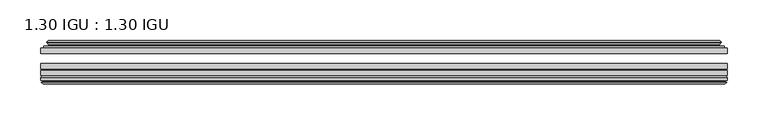
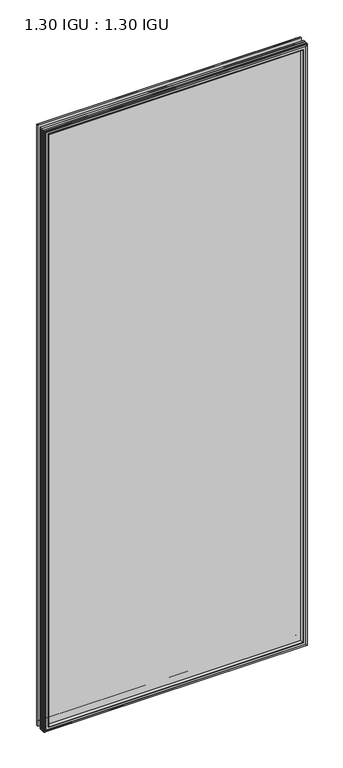
"""IFC4 building model written with IfcOpenShell, lengths in millimetres: plate geometry, 1.30 IGU : 1.30 IGU."""

from ifc_helpers import new_model, si_unit, frame, origin, place, context, project, spatial, polyline, ellipse_curve, outline, extrude, faceted_brep, source, transform, mapped, element, save
from ifc_brep_helpers import plane_surface, cylinder_surface, revolved_surface, advanced_brep


def plate_1_30_igu_1_30_igu_fb8925f5(model_context):
    return source(origin(), model_context, "Body", "SolidModel", [
        extrude(outline(polyline([(420.6205532, -44.92625), (420.6205532, -51.27625), (-420.6875, -51.27625), (-420.6875, -44.92625), (420.6205532, -44.92625)])), frame((0.0, 0.0, -14.2875), z_axis=(0.0, 0.0, 1.0), x_axis=(1.0, 0.0, 0.0)), (0.0, 0.0, 1.0), 2025.65),
        extrude(outline(polyline([(-420.6875, -78.58125), (-420.6875, -72.23125), (420.6205532, -72.23125), (420.6205532, -78.58125), (-420.6875, -78.58125)])), frame((0.0, 0.0, -14.2875), z_axis=(0.0, 0.0, 1.0), x_axis=(1.0, 0.0, 0.0)), (0.0, 0.0, 1.0), 2025.65),
        extrude(outline(polyline([(-420.6875, -70.32625), (-420.6875, -63.97625), (420.6205532, -63.97625), (420.6205532, -70.32625), (-420.6875, -70.32625)])), frame((0.0, 0.0, -14.2875), z_axis=(0.0, 0.0, 1.0), x_axis=(1.0, 0.0, 0.0)), (0.0, 0.0, 1.0), 2025.65),
        advanced_brep(
        [(-402.3522902, -43.8351483, 1993.0272902), (-402.7941004, -44.92625, 1993.4691004), (-402.7941004, -44.92625, 3.6058996), (-402.3522902, -43.8351483, 4.0477098), (-406.4, -36.11245, 1997.075), (-406.4, -36.11245, 0.0), (-411.5859109, -37.2935491, 2002.2609109), (-411.5859109, -37.2935491, -5.1859109), (-411.2563356, -36.4664324, 2001.9313356), (-411.2563356, -36.4664324, -4.8563356), (-411.2563356, -35.6521812, 2001.9313356), (-411.2563356, -35.6521812, -4.8563356), (-413.0726111, -37.610817, 2003.7476111), (-413.0726111, -37.610817, -6.6726111), (-413.0726111, -38.3239429, 2003.7476111), (-413.0726111, -38.3239429, -6.6726111), (-411.2563356, -40.2727974, 2001.9313356), (-411.2563356, -40.2727974, -4.8563356), (-411.2563356, -39.4683275, 2001.9313356), (-411.2563356, -39.4683275, -4.8563356), (-411.5782501, -38.6604367, 2002.2532501), (-411.5782501, -38.6604367, -5.1782501), (-409.0544379, -38.502045, 1999.7294379), (-409.0544379, -38.502045, -2.6544379), (-408.0286217, -39.1897544, 1998.7036217), (-408.0286217, -39.1897544, -1.6286217), (-408.1470288, -40.5842231, 1998.8220288), (-408.1470288, -40.5842231, -1.7470288), (-408.7487748, -42.08145, 1999.4237748), (-408.7487748, -42.08145, -2.3487748), (-416.6745553, -43.9898729, 2007.3495553), (-416.1889245, -42.08145, 2006.8639245), (-416.1889245, -42.08145, -9.7889245), (-416.6745553, -43.9898729, -10.2745553), (-414.9538155, -44.92625, 2005.6288155), (-414.9538155, -44.92625, -8.5538155), (402.7941004, -44.92625, 3.6058996), (402.3522902, -43.8351483, 4.0477098), (406.4, -36.11245, 0.0), (411.5859109, -37.2935491, -5.1859109), (411.2563356, -36.4664324, -4.8563356), (411.2563356, -35.6521812, -4.8563356), (413.0726111, -37.610817, -6.6726111), (413.0726111, -38.3239429, -6.6726111), (411.2563356, -40.2727974, -4.8563356), (411.2563356, -39.4683275, -4.8563356), (411.5782501, -38.6604367, -5.1782501), (409.0544379, -38.502045, -2.6544379), (408.0286217, -39.1897544, -1.6286217), (408.1470288, -40.5842231, -1.7470288), (408.7487748, -42.08145, -2.3487748), (416.1889245, -42.08145, -9.7889245), (416.6745553, -43.9898729, -10.2745553), (414.9538155, -44.92625, -8.5538155), (402.7941004, -44.92625, 1993.4691004), (402.3522902, -43.8351483, 1993.0272902), (406.4, -36.11245, 1997.075), (411.5859109, -37.2935491, 2002.2609109), (411.2563356, -36.4664324, 2001.9313356), (411.2563356, -35.6521812, 2001.9313356), (413.0726111, -37.610817, 2003.7476111), (413.0726111, -38.3239429, 2003.7476111), (411.2563356, -40.2727974, 2001.9313356), (411.2563356, -39.4683275, 2001.9313356), (411.5782501, -38.6604367, 2002.2532501), (409.0544379, -38.502045, 1999.7294379), (408.0286217, -39.1897544, 1998.7036217), (408.1470288, -40.5842231, 1998.8220288), (408.7487748, -42.08145, 1999.4237748), (416.1889245, -42.08145, 2006.8639245), (416.6745553, -43.9898729, 2007.3495553), (414.9538155, -44.92625, 2005.6288155)],
        [
            (0, 1, ellipse_curve(frame((-402.7941004, -44.29125, 1993.4691004), z_axis=(-0.7071067811865475, 0.0, -0.7071067811865475), x_axis=(-0.7071067811865474, 0.0, 0.7071067811865476)), 0.8980256, 0.635)),
            (1, 2),
            (2, 3, ellipse_curve(frame((-402.7941004, -44.29125, 3.6058996), z_axis=(-0.7071067811865475, 0.0, 0.7071067811865475), x_axis=(0.7071067811865474, 0.0, 0.7071067811865476)), 0.8980256, 0.635)),
            (3, 0),
            (4, 0, ellipse_curve(frame((-392.6672054, -33.8367745, 1983.3422054), z_axis=(0.7071067811865475, 0.0, 0.7071067811865475), x_axis=(0.7071067811865474, 0.0, -0.7071067811865476)), 19.6859517, 13.9200699)),
            (3, 5, ellipse_curve(frame((-392.6672054, -33.8367745, 13.7327946), z_axis=(0.7071067811865475, 0.0, -0.7071067811865475), x_axis=(-0.7071067811865474, 0.0, -0.7071067811865476)), 19.6859517, 13.9200699)),
            (5, 4),
            (6, 4),
            (5, 7),
            (7, 6),
            (8, 6),
            (7, 9),
            (9, 8),
            (10, 8),
            (9, 11),
            (11, 10),
            (12, 10),
            (11, 13),
            (13, 12),
            (14, 12, ellipse_curve(frame((-412.7107729, -37.96738, 2003.3857729), z_axis=(-0.7071067811865475, 0.0, -0.7071067811865475), x_axis=(-0.7071067811865474, 0.0, 0.7071067811865476)), 0.7184205, 0.508)),
            (13, 15, ellipse_curve(frame((-412.7107729, -37.96738, -6.3107729), z_axis=(-0.7071067811865475, 0.0, 0.7071067811865475), x_axis=(0.7071067811865474, 0.0, 0.7071067811865476)), 0.7184205, 0.508)),
            (15, 14),
            (16, 14),
            (15, 17),
            (17, 16),
            (18, 16),
            (17, 19),
            (19, 18),
            (20, 18),
            (19, 21),
            (21, 20),
            (22, 20),
            (21, 23),
            (23, 22),
            (24, 22, ellipse_curve(frame((-408.9908, -39.51605, 1999.6658), z_axis=(0.7071067811865475, 0.0, 0.7071067811865475), x_axis=(0.7071067811865474, 0.0, -0.7071067811865476)), 1.436841, 1.016)),
            (23, 25, ellipse_curve(frame((-408.9908, -39.51605, -2.5908), z_axis=(0.7071067811865475, 0.0, -0.7071067811865475), x_axis=(-0.7071067811865474, 0.0, -0.7071067811865476)), 1.436841, 1.016)),
            (25, 24),
            (26, 24, ellipse_curve(frame((-410.3624, -39.69385, 2001.0374), z_axis=(0.7071067811865475, 0.0, 0.7071067811865475), x_axis=(0.7071067811865474, 0.0, -0.7071067811865476)), 3.3765763, 2.3876)),
            (25, 27, ellipse_curve(frame((-410.3624, -39.69385, -3.9624), z_axis=(0.7071067811865475, 0.0, -0.7071067811865475), x_axis=(-0.7071067811865474, 0.0, -0.7071067811865476)), 3.3765763, 2.3876)),
            (27, 26),
            (28, 26),
            (27, 29),
            (29, 28),
            (30, 31, ellipse_curve(frame((-416.1889245, -43.09745, 2006.8639245), z_axis=(-0.7071067811865475, 0.0, -0.7071067811865475), x_axis=(-0.7071067811865474, 0.0, 0.7071067811865476)), 1.436841, 1.016)),
            (31, 32),
            (32, 33, ellipse_curve(frame((-416.1889245, -43.09745, -9.7889245), z_axis=(-0.7071067811865475, 0.0, 0.7071067811865475), x_axis=(0.7071067811865474, 0.0, 0.7071067811865476)), 1.436841, 1.016)),
            (33, 30),
            (34, 30),
            (33, 35),
            (35, 34),
            (2, 36),
            (36, 37, ellipse_curve(frame((402.7941004, -44.29125, 3.6058996), z_axis=(-0.7071067811865475, 0.0, -0.7071067811865475), x_axis=(-0.7071067811865476, 0.0, 0.7071067811865474)), 0.8980256, 0.635)),
            (37, 3),
            (37, 38, ellipse_curve(frame((392.6672054, -33.8367745, 13.7327946), z_axis=(0.7071067811865475, 0.0, 0.7071067811865475), x_axis=(0.7071067811865476, 0.0, -0.7071067811865474)), 19.6859517, 13.9200699)),
            (38, 5),
            (38, 39),
            (39, 7),
            (39, 40),
            (40, 9),
            (40, 41),
            (41, 11),
            (41, 42),
            (42, 13),
            (42, 43, ellipse_curve(frame((412.7107729, -37.96738, -6.3107729), z_axis=(-0.7071067811865475, 0.0, -0.7071067811865475), x_axis=(-0.7071067811865476, 0.0, 0.7071067811865474)), 0.7184205, 0.508)),
            (43, 15),
            (43, 44),
            (44, 17),
            (44, 45),
            (45, 19),
            (45, 46),
            (46, 21),
            (46, 47),
            (47, 23),
            (47, 48, ellipse_curve(frame((408.9908, -39.51605, -2.5908), z_axis=(0.7071067811865475, 0.0, 0.7071067811865475), x_axis=(0.7071067811865476, 0.0, -0.7071067811865474)), 1.436841, 1.016)),
            (48, 25),
            (48, 49, ellipse_curve(frame((410.3624, -39.69385, -3.9624), z_axis=(0.7071067811865475, 0.0, 0.7071067811865475), x_axis=(0.7071067811865476, 0.0, -0.7071067811865474)), 3.3765763, 2.3876)),
            (49, 27),
            (49, 50),
            (50, 29),
            (32, 51),
            (51, 52, ellipse_curve(frame((416.1889245, -43.09745, -9.7889245), z_axis=(-0.7071067811865475, 0.0, -0.7071067811865475), x_axis=(-0.7071067811865476, 0.0, 0.7071067811865474)), 1.436841, 1.016)),
            (52, 33),
            (52, 53),
            (53, 35),
            (36, 54),
            (54, 55, ellipse_curve(frame((402.7941004, -44.29125, 1993.4691004), z_axis=(0.7071067811865475, 0.0, -0.7071067811865475), x_axis=(-0.7071067811865474, 0.0, -0.7071067811865476)), 0.8980256, 0.635)),
            (55, 37),
            (55, 56, ellipse_curve(frame((392.6672054, -33.8367745, 1983.3422054), z_axis=(-0.7071067811865475, 0.0, 0.7071067811865475), x_axis=(0.7071067811865474, 0.0, 0.7071067811865476)), 19.6859517, 13.9200699)),
            (56, 38),
            (56, 57),
            (57, 39),
            (57, 58),
            (58, 40),
            (58, 59),
            (59, 41),
            (59, 60),
            (60, 42),
            (60, 61, ellipse_curve(frame((412.7107729, -37.96738, 2003.3857729), z_axis=(0.7071067811865475, 0.0, -0.7071067811865475), x_axis=(-0.7071067811865474, 0.0, -0.7071067811865476)), 0.7184205, 0.508)),
            (61, 43),
            (61, 62),
            (62, 44),
            (62, 63),
            (63, 45),
            (63, 64),
            (64, 46),
            (64, 65),
            (65, 47),
            (65, 66, ellipse_curve(frame((408.9908, -39.51605, 1999.6658), z_axis=(-0.7071067811865475, 0.0, 0.7071067811865475), x_axis=(0.7071067811865474, 0.0, 0.7071067811865476)), 1.436841, 1.016)),
            (66, 48),
            (66, 67, ellipse_curve(frame((410.3624, -39.69385, 2001.0374), z_axis=(-0.7071067811865475, 0.0, 0.7071067811865475), x_axis=(0.7071067811865474, 0.0, 0.7071067811865476)), 3.3765763, 2.3876)),
            (67, 49),
            (67, 68),
            (68, 50),
            (51, 69),
            (69, 70, ellipse_curve(frame((416.1889245, -43.09745, 2006.8639245), z_axis=(0.7071067811865475, 0.0, -0.7071067811865475), x_axis=(-0.7071067811865474, 0.0, -0.7071067811865476)), 1.436841, 1.016)),
            (70, 52),
            (70, 71),
            (71, 53),
            (54, 1),
            (0, 55),
            (4, 56),
            (6, 57),
            (8, 58),
            (10, 59),
            (12, 60),
            (14, 61),
            (16, 62),
            (18, 63),
            (20, 64),
            (22, 65),
            (24, 66),
            (26, 67),
            (28, 68),
            (31, 69),
            (30, 70),
            (34, 71),
        ],
        [
            cylinder_surface(frame((-402.7941004, -44.29125, 2028.825), z_axis=(0.0, 0.0, 1.0), x_axis=(-1.0, 0.0, 0.0)), 0.635),
            revolved_surface(polyline([(-406.5872753, -33.8367745, -0.18727534118079348), (-406.5872753, -33.8367745, 1997.2622753411808)]), (-392.6672054, -33.8367745, 2028.825), (0.0, 0.0, -1.0)),
            plane_surface(frame((-406.4, -36.11245, 1997.075), z_axis=(-0.22206498442778658, 0.975031867525922, 0.0), x_axis=(0.0, 0.0, -1.0))),
            plane_surface(frame((-411.5859109, -37.2935491, 2002.2609109), z_axis=(0.9289682685629922, -0.3701593656833182, 0.0), x_axis=(0.0, 0.0, -1.0))),
            plane_surface(frame((-411.2563356, -36.4664324, 2001.9313356), z_axis=(1.0, 0.0, 0.0), x_axis=(0.0, 0.0, -1.0))),
            plane_surface(frame((-411.2563356, -35.6521812, 2001.9313356), z_axis=(-0.7332521292723956, 0.6799568478348447, 0.0), x_axis=(0.0, 0.0, -1.0))),
            cylinder_surface(frame((-412.7107729, -37.96738, 2028.825), z_axis=(0.0, 0.0, 1.0), x_axis=(-1.0, 0.0, 0.0)), 0.508),
            plane_surface(frame((-413.0726111, -38.3239429, 2003.7476111), z_axis=(-0.7315522693036389, -0.6817853601220082, 0.0), x_axis=(0.0, 0.0, -1.0))),
            plane_surface(frame((-411.2563356, -40.2727974, 2001.9313356), z_axis=(1.0, 0.0, 0.0), x_axis=(0.0, 0.0, -1.0))),
            plane_surface(frame((-411.2563356, -39.4683275, 2001.9313356), z_axis=(0.9289682685631103, 0.37015936568302166, 0.0), x_axis=(0.0, 0.0, -1.0))),
            plane_surface(frame((-411.5782501, -38.6604367, 2002.2532501), z_axis=(0.06263570119321644, -0.9980364567169048, 0.0), x_axis=(0.0, 0.0, -1.0))),
            revolved_surface(polyline([(-410.0068, -39.51605, -3.6068000145867245), (-410.0068, -39.51605, 2000.6818000145868)]), (-408.9908, -39.51605, 2028.825), (0.0, 0.0, -1.0)),
            revolved_surface(polyline([(-412.75, -39.69385, -6.3499999989237494), (-412.75, -39.69385, 2003.4249999989238)]), (-410.3624, -39.69385, 2028.825), (0.0, 0.0, -1.0)),
            plane_surface(frame((-408.1470288, -40.5842231, 1998.8220288), z_axis=(-0.9278652925428912, 0.372915538553028, 0.0), x_axis=(0.0, 0.0, -1.0))),
            cylinder_surface(frame((-416.1889245, -43.09745, 2028.825), z_axis=(0.0, 0.0, 1.0), x_axis=(-1.0, 0.0, 0.0)), 1.016),
            plane_surface(frame((-416.6745553, -43.9898729, 2007.3495553), z_axis=(-0.477983117370979, -0.8783690223979447, 0.0), x_axis=(0.0, 0.0, -1.0))),
            cylinder_surface(frame((-438.15, -44.29125, 3.6058996), z_axis=(-1.0, 0.0, 0.0), x_axis=(0.0, 0.0, -1.0)), 0.635),
            revolved_surface(polyline([(406.58727534118077, -33.8367745, -0.1872752999999996), (-406.5872753411808, -33.8367745, -0.1872752999999996)]), (-438.15, -33.8367745, 13.7327946), (1.0, 0.0, 0.0)),
            plane_surface(frame((-406.4, -36.11245, 0.0), z_axis=(0.0, 0.9750318675259213, -0.22206498442778974), x_axis=(1.0, 0.0, 0.0))),
            plane_surface(frame((-411.5859109, -37.2935491, -5.1859109), z_axis=(0.0, -0.3701593656833152, 0.9289682685629934), x_axis=(1.0, 0.0, 0.0))),
            plane_surface(frame((-411.2563356, -36.4664324, -4.8563356), z_axis=(0.0, 0.0, 1.0), x_axis=(1.0, 0.0, 0.0))),
            plane_surface(frame((-411.2563356, -35.6521812, -4.8563356), z_axis=(0.0, 0.6799568478348423, -0.7332521292723978), x_axis=(1.0, 0.0, 0.0))),
            cylinder_surface(frame((-438.15, -37.96738, -6.3107729), z_axis=(-1.0, 0.0, 0.0), x_axis=(0.0, 0.0, -1.0)), 0.508),
            plane_surface(frame((-413.0726111, -38.3239429, -6.6726111), z_axis=(0.0, -0.6817853601220105, -0.7315522693036367), x_axis=(1.0, 0.0, 0.0))),
            plane_surface(frame((-411.2563356, -40.2727974, -4.8563356), z_axis=(0.0, 0.0, 1.0), x_axis=(1.0, 0.0, 0.0))),
            plane_surface(frame((-411.2563356, -39.4683275, -4.8563356), z_axis=(0.0, 0.37015936568302465, 0.9289682685631091), x_axis=(1.0, 0.0, 0.0))),
            plane_surface(frame((-411.5782501, -38.6604367, -5.1782501), z_axis=(0.0, -0.9980364567169046, 0.06263570119321968), x_axis=(1.0, 0.0, 0.0))),
            revolved_surface(polyline([(410.0068000145868, -39.51605, -3.6068000000000002), (-410.0068000145868, -39.51605, -3.6068000000000002)]), (-438.15, -39.51605, -2.5908), (1.0, 0.0, 0.0)),
            revolved_surface(polyline([(412.7499999989237, -39.69385, -6.35), (-412.7499999989238, -39.69385, -6.35)]), (-438.15, -39.69385, -3.9624), (1.0, 0.0, 0.0)),
            plane_surface(frame((-408.1470288, -40.5842231, -1.7470288), z_axis=(0.0, 0.372915538553025, -0.9278652925428924), x_axis=(1.0, 0.0, 0.0))),
            cylinder_surface(frame((-438.15, -43.09745, -9.7889245), z_axis=(-1.0, 0.0, 0.0), x_axis=(0.0, 0.0, -1.0)), 1.016),
            plane_surface(frame((-416.6745553, -43.9898729, -10.2745553), z_axis=(0.0, -0.8783690223979462, -0.47798311737097615), x_axis=(1.0, 0.0, 0.0))),
            cylinder_surface(frame((402.7941004, -44.29125, -31.75), z_axis=(0.0, 0.0, -1.0), x_axis=(1.0, 0.0, 0.0)), 0.635),
            revolved_surface(polyline([(406.5872753, -33.8367745, 1997.2622753411808), (406.5872753, -33.8367745, -0.1872753411808432)]), (392.6672054, -33.8367745, -31.75), (0.0, 0.0, 1.0)),
            plane_surface(frame((406.4, -36.11245, 0.0), z_axis=(0.22206498442779288, 0.9750318675259205, 0.0), x_axis=(0.0, 0.0, 1.0))),
            plane_surface(frame((411.5859109, -37.2935491, -5.1859109), z_axis=(-0.9289682685629946, -0.3701593656833122, 0.0), x_axis=(0.0, 0.0, 1.0))),
            plane_surface(frame((411.2563356, -36.4664324, -4.8563356), z_axis=(-1.0, 0.0, 0.0), x_axis=(0.0, 0.0, 1.0))),
            plane_surface(frame((411.2563356, -35.6521812, -4.8563356), z_axis=(0.7332521292724, 0.67995684783484, 0.0), x_axis=(0.0, 0.0, 1.0))),
            cylinder_surface(frame((412.7107729, -37.96738, -31.75), z_axis=(0.0, 0.0, -1.0), x_axis=(1.0, 0.0, 0.0)), 0.508),
            plane_surface(frame((413.0726111, -38.3239429, -6.6726111), z_axis=(0.7315522693036345, -0.6817853601220129, 0.0), x_axis=(0.0, 0.0, 1.0))),
            plane_surface(frame((411.2563356, -40.2727974, -4.8563356), z_axis=(-1.0, 0.0, 0.0), x_axis=(0.0, 0.0, 1.0))),
            plane_surface(frame((411.2563356, -39.4683275, -4.8563356), z_axis=(-0.928968268563108, 0.3701593656830277, 0.0), x_axis=(0.0, 0.0, 1.0))),
            plane_surface(frame((411.5782501, -38.6604367, -5.1782501), z_axis=(-0.06263570119322291, -0.9980364567169043, 0.0), x_axis=(0.0, 0.0, 1.0))),
            revolved_surface(polyline([(410.0068, -39.51605, 2000.6818000145868), (410.0068, -39.51605, -3.606800014586863)]), (408.9908, -39.51605, -31.75), (0.0, 0.0, 1.0)),
            revolved_surface(polyline([(412.75, -39.69385, 2003.4249999989238), (412.75, -39.69385, -6.349999998923781)]), (410.3624, -39.69385, -31.75), (0.0, 0.0, 1.0)),
            plane_surface(frame((408.1470288, -40.5842231, -1.7470288), z_axis=(0.9278652925428936, 0.372915538553022, 0.0), x_axis=(0.0, 0.0, 1.0))),
            cylinder_surface(frame((416.1889245, -43.09745, -31.75), z_axis=(0.0, 0.0, -1.0), x_axis=(1.0, 0.0, 0.0)), 1.016),
            plane_surface(frame((416.6745553, -43.9898729, -10.2745553), z_axis=(0.4779831173709733, -0.8783690223979478, 0.0), x_axis=(0.0, 0.0, 1.0))),
            cylinder_surface(frame((438.15, -44.29125, 1993.4691004), z_axis=(1.0, 0.0, 0.0), x_axis=(0.0, 0.0, 1.0)), 0.635),
            revolved_surface(polyline([(-406.58727534118077, -33.8367745, 1997.2622753), (406.5872753411808, -33.8367745, 1997.2622753)]), (438.15, -33.8367745, 1983.3422054), (-1.0, 0.0, 0.0)),
            plane_surface(frame((406.4, -36.11245, 1997.075), z_axis=(0.0, 0.9750318675259212, 0.2220649844277897), x_axis=(-1.0, 0.0, 0.0))),
            plane_surface(frame((411.5859109, -37.2935491, 2002.2609109), z_axis=(0.0, -0.3701593656833152, -0.9289682685629934), x_axis=(-1.0, 0.0, 0.0))),
            plane_surface(frame((411.2563356, -36.4664324, 2001.9313356), z_axis=(0.0, 0.0, -1.0), x_axis=(-1.0, 0.0, 0.0))),
            plane_surface(frame((411.2563356, -35.6521812, 2001.9313356), z_axis=(0.0, 0.6799568478348423, 0.7332521292723978), x_axis=(-1.0, 0.0, 0.0))),
            cylinder_surface(frame((438.15, -37.96738, 2003.3857729), z_axis=(1.0, 0.0, 0.0), x_axis=(0.0, 0.0, 1.0)), 0.508),
            plane_surface(frame((413.0726111, -38.3239429, 2003.7476111), z_axis=(0.0, -0.6817853601220105, 0.7315522693036367), x_axis=(-1.0, 0.0, 0.0))),
            plane_surface(frame((411.2563356, -40.2727974, 2001.9313356), z_axis=(0.0, 0.0, -1.0), x_axis=(-1.0, 0.0, 0.0))),
            plane_surface(frame((411.2563356, -39.4683275, 2001.9313356), z_axis=(0.0, 0.3701593656830247, -0.9289682685631092), x_axis=(-1.0, 0.0, 0.0))),
            plane_surface(frame((411.5782501, -38.6604367, 2002.2532501), z_axis=(0.0, -0.9980364567169046, -0.06263570119321968), x_axis=(-1.0, 0.0, 0.0))),
            revolved_surface(polyline([(-410.0068000145868, -39.51605, 2000.6818), (410.0068000145868, -39.51605, 2000.6818)]), (438.15, -39.51605, 1999.6658), (-1.0, 0.0, 0.0)),
            revolved_surface(polyline([(-412.7499999989237, -39.69385, 2003.425), (412.7499999989238, -39.69385, 2003.425)]), (438.15, -39.69385, 2001.0374), (-1.0, 0.0, 0.0)),
            plane_surface(frame((408.1470288, -40.5842231, 1998.8220288), z_axis=(0.0, 0.372915538553025, 0.9278652925428924), x_axis=(-1.0, 0.0, 0.0))),
            plane_surface(frame((408.7487748, -42.08145, 1999.4237748), z_axis=(0.0, 1.0, 0.0), x_axis=(-1.0, 0.0, 0.0))),
            cylinder_surface(frame((438.15, -43.09745, 2006.8639245), z_axis=(1.0, 0.0, 0.0), x_axis=(0.0, 0.0, 1.0)), 1.016),
            plane_surface(frame((416.6745553, -43.9898729, 2007.3495553), z_axis=(0.0, -0.8783690223979462, 0.47798311737097615), x_axis=(-1.0, 0.0, 0.0))),
            plane_surface(frame((414.9538155, -44.92625, 2005.6288155), z_axis=(0.0, -1.0, 0.0), x_axis=(-1.0, 0.0, 0.0))),
        ],
        [
            (0, [[1, 2, 3, 4]]),
            (1, [[5, -4, 6, 7]]),
            (2, [[8, -7, 9, 10]]),
            (3, [[11, -10, 12, 13]]),
            (4, [[14, -13, 15, 16]]),
            (5, [[17, -16, 18, 19]]),
            (6, [[20, -19, 21, 22]]),
            (7, [[23, -22, 24, 25]]),
            (8, [[26, -25, 27, 28]]),
            (9, [[29, -28, 30, 31]]),
            (10, [[32, -31, 33, 34]]),
            (11, [[35, -34, 36, 37]]),
            (12, [[38, -37, 39, 40]]),
            (13, [[41, -40, 42, 43]]),
            (14, [[44, 45, 46, 47]]),
            (15, [[48, -47, 49, 50]]),
            (16, [[-3, 51, 52, 53]]),
            (17, [[-6, -53, 54, 55]]),
            (18, [[-9, -55, 56, 57]]),
            (19, [[-12, -57, 58, 59]]),
            (20, [[-15, -59, 60, 61]]),
            (21, [[-18, -61, 62, 63]]),
            (22, [[-21, -63, 64, 65]]),
            (23, [[-24, -65, 66, 67]]),
            (24, [[-27, -67, 68, 69]]),
            (25, [[-30, -69, 70, 71]]),
            (26, [[-33, -71, 72, 73]]),
            (27, [[-36, -73, 74, 75]]),
            (28, [[-39, -75, 76, 77]]),
            (29, [[-42, -77, 78, 79]]),
            (30, [[-46, 80, 81, 82]]),
            (31, [[-49, -82, 83, 84]]),
            (32, [[-52, 85, 86, 87]]),
            (33, [[-54, -87, 88, 89]]),
            (34, [[-56, -89, 90, 91]]),
            (35, [[-58, -91, 92, 93]]),
            (36, [[-60, -93, 94, 95]]),
            (37, [[-62, -95, 96, 97]]),
            (38, [[-64, -97, 98, 99]]),
            (39, [[-66, -99, 100, 101]]),
            (40, [[-68, -101, 102, 103]]),
            (41, [[-70, -103, 104, 105]]),
            (42, [[-72, -105, 106, 107]]),
            (43, [[-74, -107, 108, 109]]),
            (44, [[-76, -109, 110, 111]]),
            (45, [[-78, -111, 112, 113]]),
            (46, [[-81, 114, 115, 116]]),
            (47, [[-83, -116, 117, 118]]),
            (48, [[-86, 119, -1, 120]]),
            (49, [[-88, -120, -5, 121]]),
            (50, [[-90, -121, -8, 122]]),
            (51, [[-92, -122, -11, 123]]),
            (52, [[-94, -123, -14, 124]]),
            (53, [[-96, -124, -17, 125]]),
            (54, [[-98, -125, -20, 126]]),
            (55, [[-100, -126, -23, 127]]),
            (56, [[-102, -127, -26, 128]]),
            (57, [[-104, -128, -29, 129]]),
            (58, [[-106, -129, -32, 130]]),
            (59, [[-108, -130, -35, 131]]),
            (60, [[-110, -131, -38, 132]]),
            (61, [[-112, -132, -41, 133]]),
            (62, [[134, -114, -80, -45], [-79, -113, -133, -43]]),
            (63, [[-115, -134, -44, 135]]),
            (64, [[-117, -135, -48, 136]]),
            (65, [[-84, -118, -136, -50], [-119, -85, -51, -2]]),
        ],
    ),
        faceted_brep([(-402.5457827, -78.58125, 1993.2207827), (-405.1120798, -87.47125, 1995.7870798), (-405.1120798, -87.47125, 1.2879202), (-402.5457827, -78.58125, 3.8542173), (-420.7002, -80.7883102, 2011.3752), (-418.4931398, -78.58125, 2009.1681398), (-418.4931398, -78.58125, -12.0931398), (-420.7002, -80.7883102, -14.3002), (-420.7002, -84.93125, 2011.3752), (-420.7002, -84.93125, -14.3002), (-418.2811775, -86.11489, 2008.9561775), (-419.1203682, -84.93125, 2009.7953682), (-419.1203682, -84.93125, -12.7203682), (-418.2811775, -86.11489, -11.8811775), (-418.084, -87.4125884, 2008.759), (-418.084, -87.4125884, -11.684), (-419.05966, -86.8828917, 2009.73466), (-419.05966, -86.8828917, -12.65966), (-417.5252, -88.6999663, 2008.2002), (-419.8523305, -86.8828917, 2010.5273305), (-419.8523305, -86.8828917, -13.4523305), (-417.5252, -88.6999663, -11.1252), (-415.1980695, -86.8828917, 2005.8730695), (-415.1980695, -86.8828917, -8.7980695), (-416.9664, -87.4125884, 2007.6414), (-415.99074, -86.8828917, 2006.66574), (-415.99074, -86.8828917, -9.59074), (-416.9664, -87.4125884, -10.5664), (-416.7692225, -86.11489, 2007.4442225), (-416.7692225, -86.11489, -10.3692225), (-415.8996, -84.93125, 2006.5746), (-415.8996, -84.93125, -9.4996), (-406.7513667, -87.47125, 1997.4263667), (-406.2222, -84.93125, 1996.8972), (-406.2222, -84.93125, 0.1778), (-406.7513667, -87.47125, -0.3513667), (405.1120798, -87.47125, 1.2879202), (402.5457827, -78.58125, 3.8542173), (418.4931398, -78.58125, -12.0931398), (420.7002, -80.7883102, -14.3002), (420.7002, -84.93125, -14.3002), (419.1203682, -84.93125, -12.7203682), (418.2811775, -86.11489, -11.8811775), (418.084, -87.4125884, -11.684), (419.05966, -86.8828917, -12.65966), (419.8523305, -86.8828917, -13.4523305), (417.5252, -88.6999663, -11.1252), (415.1980695, -86.8828917, -8.7980695), (415.99074, -86.8828917, -9.59074), (416.9664, -87.4125884, -10.5664), (416.7692225, -86.11489, -10.3692225), (415.8996, -84.93125, -9.4996), (406.2222, -84.93125, 0.1778), (406.7513667, -87.47125, -0.3513667), (405.1120798, -87.47125, 1995.7870798), (402.5457827, -78.58125, 1993.2207827), (418.4931398, -78.58125, 2009.1681398), (420.7002, -80.7883102, 2011.3752), (420.7002, -84.93125, 2011.3752), (419.1203682, -84.93125, 2009.7953682), (418.2811775, -86.11489, 2008.9561775), (418.084, -87.4125884, 2008.759), (419.05966, -86.8828917, 2009.73466), (419.8523305, -86.8828917, 2010.5273305), (417.5252, -88.6999663, 2008.2002), (415.1980695, -86.8828917, 2005.8730695), (415.99074, -86.8828917, 2006.66574), (416.9664, -87.4125884, 2007.6414), (416.7692225, -86.11489, 2007.4442225), (415.8996, -84.93125, 2006.5746), (406.2222, -84.93125, 1996.8972), (406.7513667, -87.47125, 1997.4263667)], [[[0, 1, 2, 3]], [[4, 5, 6, 7]], [[8, 4, 7, 9]], [[10, 11, 12, 13]], [[14, 10, 13, 15]], [[16, 14, 15, 17]], [[18, 19, 20, 21]], [[22, 18, 21, 23]], [[24, 25, 26, 27]], [[28, 24, 27, 29]], [[30, 28, 29, 31]], [[32, 33, 34, 35]], [[3, 2, 36, 37]], [[7, 6, 38, 39]], [[9, 7, 39, 40]], [[13, 12, 41, 42]], [[15, 13, 42, 43]], [[17, 15, 43, 44]], [[21, 20, 45, 46]], [[23, 21, 46, 47]], [[27, 26, 48, 49]], [[29, 27, 49, 50]], [[31, 29, 50, 51]], [[35, 34, 52, 53]], [[37, 36, 54, 55]], [[39, 38, 56, 57]], [[40, 39, 57, 58]], [[42, 41, 59, 60]], [[43, 42, 60, 61]], [[44, 43, 61, 62]], [[46, 45, 63, 64]], [[47, 46, 64, 65]], [[49, 48, 66, 67]], [[50, 49, 67, 68]], [[51, 50, 68, 69]], [[53, 52, 70, 71]], [[55, 54, 1, 0]], [[5, 56, 38, 6], [3, 37, 55, 0]], [[57, 56, 5, 4]], [[58, 57, 4, 8]], [[9, 40, 58, 8], [11, 59, 41, 12]], [[60, 59, 11, 10]], [[61, 60, 10, 14]], [[62, 61, 14, 16]], [[19, 63, 45, 20], [17, 44, 62, 16]], [[64, 63, 19, 18]], [[65, 64, 18, 22]], [[25, 66, 48, 26], [23, 47, 65, 22]], [[67, 66, 25, 24]], [[68, 67, 24, 28]], [[69, 68, 28, 30]], [[31, 51, 69, 30], [33, 70, 52, 34]], [[71, 70, 33, 32]], [[35, 53, 71, 32], [1, 54, 36, 2]]]),
    ])


if __name__ == "__main__":
    model = new_model("IFC4")
    model_context = context("Model", 3, world=origin())
    ifc_project = project(units=[si_unit("LENGTHUNIT", "METRE", prefix="MILLI")], contexts=[model_context])
    site = spatial("IfcSite", under=ifc_project)
    building = spatial("IfcBuilding", under=site)
    placement = place(None, origin())
    plate_1_30_igu_1_30_igu_shape = plate_1_30_igu_1_30_igu_fb8925f5(model_context)
    element("IfcPlate", 1, ObjectType="1.30 IGU : 1.30 IGU", at=placement, inside=building, context=model_context, shape_type="MappedRepresentation", body=[
        mapped(plate_1_30_igu_1_30_igu_shape, transform((0.0, 0.0, 0.0), x_axis=(1.0, 0.0, 0.0), y_axis=(0.0, 1.0, 0.0), z_axis=(0.0, 0.0, 1.0))),
    ])
    save(model, "model.ifc")
